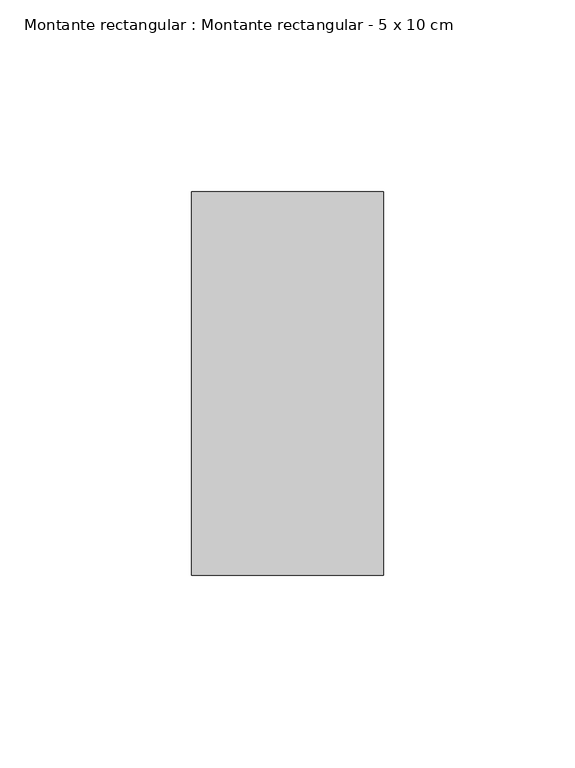
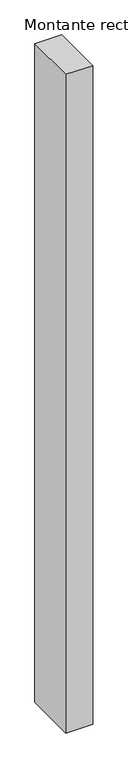
"""IFC4 building model written with IfcOpenShell, lengths in millimetres: member geometry, Montante rectangular : Montante rectangular - 5 x 10 cm."""

from ifc_helpers import new_model, si_unit, frame, origin, place, context, project, spatial, polyline, outline, extrude, source, transform, mapped, element, save


def montante_rectangular_montante_rectangular_5_x_10_cm_5775e41a(model_context):
    return source(origin(), model_context, "Body", "SweptSolid", [
        extrude(outline(polyline([(0.0, 50.0), (0.0, -50.0), (-50.0, -50.0), (-50.0, 50.0), (0.0, 50.0)])), frame((0.0, 0.0, -1300.3436599), z_axis=(0.0, 0.0, 1.0), x_axis=(1.0, 0.0, 0.0)), (0.0, 0.0, 1.0), 1300.3436599),
    ])


if __name__ == "__main__":
    model = new_model("IFC4")
    model_context = context("Model", 3, world=origin())
    ifc_project = project(units=[si_unit("LENGTHUNIT", "METRE", prefix="MILLI")], contexts=[model_context])
    site = spatial("IfcSite", under=ifc_project)
    building = spatial("IfcBuilding", under=site)
    placement = place(None, origin())
    montante_rectangular_montante_rectangular_5_x_10_cm_shape = montante_rectangular_montante_rectangular_5_x_10_cm_5775e41a(model_context)
    element("IfcMember", 1, ObjectType="Montante rectangular : Montante rectangular - 5 x 10 cm", at=placement, inside=building, context=model_context, shape_type="MappedRepresentation", body=[
        mapped(montante_rectangular_montante_rectangular_5_x_10_cm_shape, transform((0.0, 0.0, 0.0), x_axis=(1.0, 0.0, 0.0), y_axis=(0.0, 1.0, 0.0), z_axis=(0.0, 0.0, 1.0))),
    ])
    save(model, "model.ifc")
